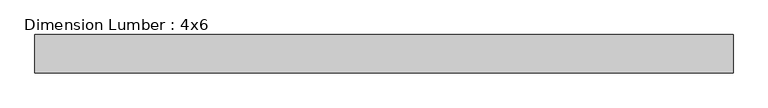
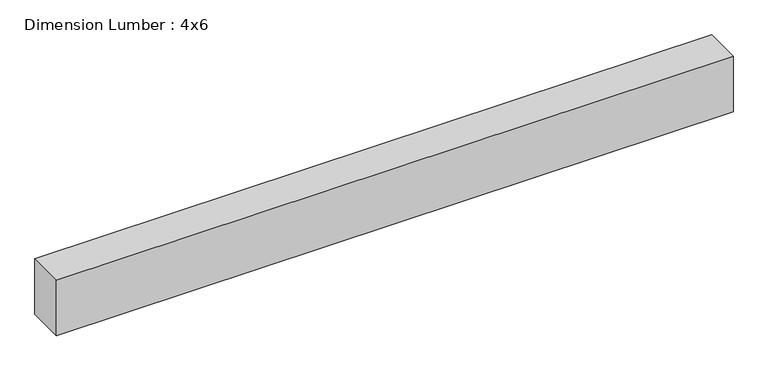
"""IFC4 building model written with IfcOpenShell, lengths in millimetres: beam geometry, Dimension Lumber : 4x6."""

from ifc_helpers import new_model, si_unit, frame, origin, place, context, project, spatial, polyline, outline, extrude, source, transform, mapped, element, save


def dimension_lumber_4x6_a4daf200(model_context):
    return source(origin(), model_context, "Body", "SweptSolid", [
        extrude(outline(polyline([(806.6418581, 44.45), (806.6418581, -44.45), (-806.6418581, -44.45), (-806.6418581, 44.45), (806.6418581, 44.45)])), frame((0.0, 0.0, -69.85), z_axis=(0.0, 0.0, 1.0), x_axis=(1.0, 0.0, 0.0)), (0.0, 0.0, 1.0), 139.7),
    ])


if __name__ == "__main__":
    model = new_model("IFC4")
    model_context = context("Model", 3, world=origin())
    ifc_project = project(units=[si_unit("LENGTHUNIT", "METRE", prefix="MILLI")], contexts=[model_context])
    site = spatial("IfcSite", under=ifc_project)
    building = spatial("IfcBuilding", under=site)
    placement = place(None, origin())
    dimension_lumber_4x6_shape = dimension_lumber_4x6_a4daf200(model_context)
    element("IfcBeam", 1, ObjectType="Dimension Lumber : 4x6", at=placement, inside=building, context=model_context, shape_type="MappedRepresentation", body=[
        mapped(dimension_lumber_4x6_shape, transform((0.0, 0.0, 0.0), x_axis=(1.0, 0.0, 0.0), y_axis=(0.0, 1.0, 0.0), z_axis=(0.0, 0.0, 1.0))),
    ])
    save(model, "model.ifc")
